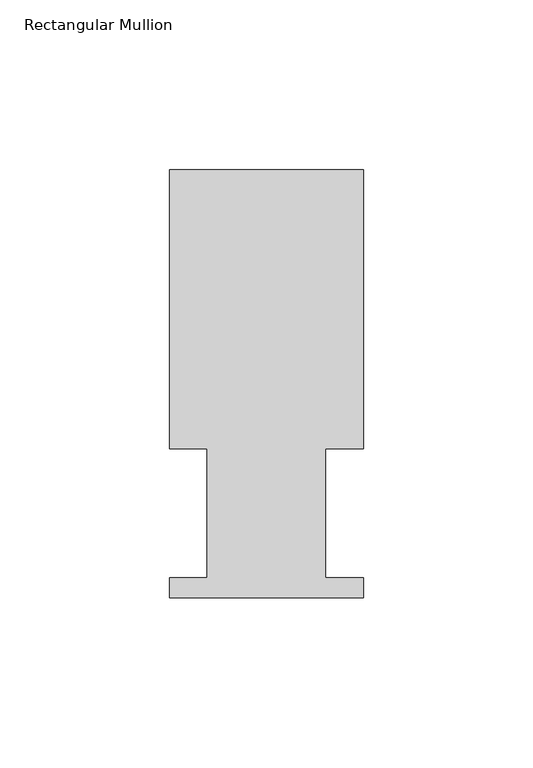
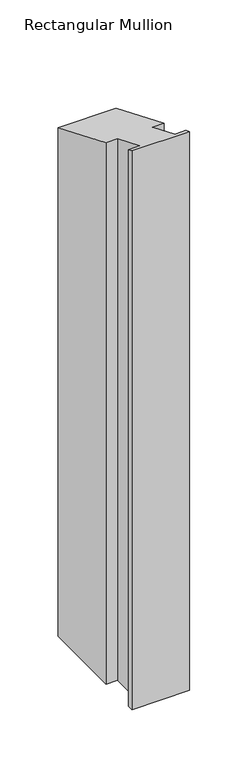
"""IFC4 building model written with IfcOpenShell, lengths in millimetres: member geometry, Rectangular Mullion."""

from ifc_helpers import new_model, si_unit, origin, place, context, project, spatial, faceted_brep, source, transform, mapped, element, save


def rectangular_mullion_742f977d(model_context):
    return source(origin(), model_context, "Body", "Brep", [
        faceted_brep([(0.0, 126.619, -584.4984607), (0.0, 44.45, -584.4984607), (-11.1120704, 44.45, -584.4984607), (-11.1120704, 6.35, -584.4984607), (0.0, 6.35, -584.4984607), (0.0, 0.4064, -584.4984607), (-57.15, 0.4064, -584.4984607), (-57.15, 6.35, -584.4984607), (-46.0370705, 6.35, -584.4984607), (-46.0370705, 44.45, -584.4984607), (-57.15, 44.45, -584.4984607), (-57.15, 126.619, -584.4984607), (-57.15, 126.619, -52.4473071), (0.0, 126.619, -52.4473071), (-57.15, 44.45, -18.4117928), (-46.0370705, 44.45, -18.4117928), (-46.0370705, 6.35, -2.6302561), (-57.15, 6.35, -2.6302561), (-57.15, 0.4064, -0.1683364), (0.0, 0.4064, -0.1683364), (0.0, 6.35, -2.6302561), (-11.1120704, 6.35, -2.6302561), (-11.1120704, 44.45, -18.4117928), (0.0, 44.45, -18.4117928)], [[[0, 1, 2, 3, 4, 5, 6, 7, 8, 9, 10, 11]], [[12, 13, 0, 11]], [[14, 12, 11, 10]], [[15, 14, 10, 9]], [[16, 15, 9, 8]], [[17, 16, 8, 7]], [[18, 17, 7, 6]], [[19, 18, 6, 5]], [[20, 19, 5, 4]], [[21, 20, 4, 3]], [[22, 21, 3, 2]], [[23, 22, 2, 1]], [[13, 23, 1, 0]], [[13, 12, 14, 15, 16, 17, 18, 19, 20, 21, 22, 23]]]),
    ])


if __name__ == "__main__":
    model = new_model("IFC4")
    model_context = context("Model", 3, world=origin())
    ifc_project = project(units=[si_unit("LENGTHUNIT", "METRE", prefix="MILLI")], contexts=[model_context])
    site = spatial("IfcSite", under=ifc_project)
    building = spatial("IfcBuilding", under=site)
    placement = place(None, origin())
    rectangular_mullion_shape = rectangular_mullion_742f977d(model_context)
    element("IfcMember", 1, ObjectType="Rectangular Mullion", at=placement, inside=building, context=model_context, shape_type="MappedRepresentation", body=[
        mapped(rectangular_mullion_shape, transform((0.0, 0.0, 0.0), x_axis=(1.0, 0.0, 0.0), y_axis=(0.0, 1.0, 0.0), z_axis=(0.0, 0.0, 1.0))),
    ])
    save(model, "model.ifc")
